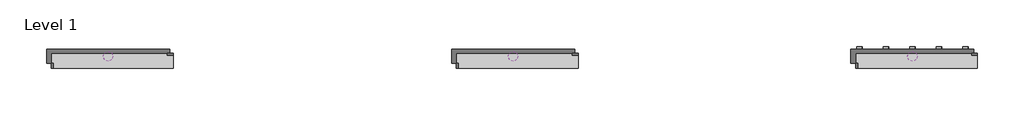
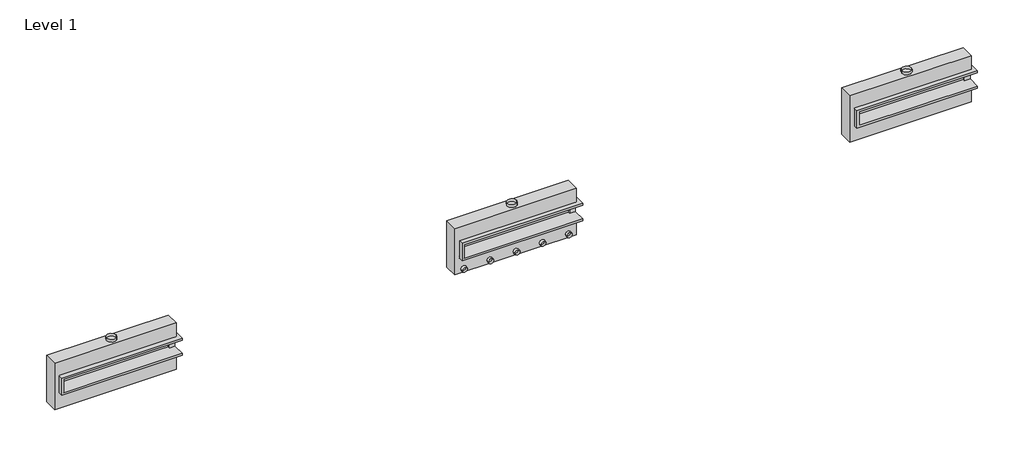
# One storey: 21 proxies.
"""IFC4 building model written with IfcOpenShell, lengths in millimetres."""

import ifcopenshell
import ifcopenshell.guid

model = None  # the IFC model being written
_history = None  # IfcOwnerHistory: only IFC2X3 demands one
_inside = {}  # id of a spatial element -> (the spatial element, [elements in it])
_under = {}  # id of a project, library or spatial element -> (it, [spatial elements below it])
_declared = {}  # id of a project -> (the project, [libraries it declares])
_typed = {}  # id of a type object -> (the type object, [elements of that type])
_made_of = {}  # id of a material, layer set ... -> (it, [elements and type objects made of it])


def new_model(schema):
    """Start an empty IFC model of exactly this schema.

    Asked for "IFC4X3", IfcOpenShell would pick the latest addendum, in which some entities
    have other attributes; the version numbers below select the first issue.
    IFC2X3 requires an IfcOwnerHistory on every rooted entity: one is made here for all.
    """
    global model, _history
    if schema == "IFC4X3":
        model = ifcopenshell.file(schema_version=(4, 3, 0, 0))
    else:
        model = ifcopenshell.file(schema=schema)
    _inside.clear()
    _under.clear()
    _declared.clear()
    _typed.clear()
    _made_of.clear()
    _history = None
    if model.schema == "IFC2X3":
        org = make("IfcOrganization", Name="unknown")
        user = make(
            "IfcPersonAndOrganization",
            ThePerson=make("IfcPerson", FamilyName="unknown"),
            TheOrganization=org,
        )
        app = make(
            "IfcApplication",
            ApplicationDeveloper=org,
            Version="unknown",
            ApplicationFullName="unknown",
            ApplicationIdentifier="unknown",
        )
        _history = make(
            "IfcOwnerHistory",
            OwningUser=user,
            OwningApplication=app,
            ChangeAction="ADDED",
            CreationDate=0,
        )
    return model


def make(cls, **values):
    """One entity of the class cls with the attributes given. An attribute that is None is left unset."""
    return model.create_entity(
        cls, **{name: value for name, value in values.items() if value is not None}
    )


def rooted(cls, **values):
    """An entity with a GlobalId (a new one), such as an element, a storey or a relation."""
    return make(cls, GlobalId=ifcopenshell.guid.new(), OwnerHistory=_history, **values)


def si_unit(unit_type, name, prefix=None):
    """IfcSIUnit, for example si_unit("LENGTHUNIT", "METRE", prefix="MILLI")."""
    return make("IfcSIUnit", UnitType=unit_type, Prefix=prefix, Name=name)


def assignment(units):
    """IfcUnitAssignment: the units of a project."""
    return None if units is None else make("IfcUnitAssignment", Units=units)


def point(xyz):
    """IfcCartesianPoint."""
    return None if xyz is None else make("IfcCartesianPoint", Coordinates=xyz)


def direction(xyz):
    """IfcDirection."""
    return None if xyz is None else make("IfcDirection", DirectionRatios=xyz)


def frame(location, z_axis=None, x_axis=None):
    """IfcAxis2Placement3D, a coordinate frame: its origin and axes. An axis left out is left unset."""
    return make(
        "IfcAxis2Placement3D",
        Location=point(location),
        Axis=direction(z_axis),
        RefDirection=direction(x_axis),
    )


def frame_2d(location, x_axis=None):
    """IfcAxis2Placement2D, a coordinate frame in the plane: its origin and x axis."""
    return make(
        "IfcAxis2Placement2D", Location=point(location), RefDirection=direction(x_axis)
    )


def origin():
    """The frame at (0, 0, 0) with its axes left unset."""
    return frame((0.0, 0.0, 0.0))


def origin_with_axes():
    """The frame at (0, 0, 0) with the z axis (0, 0, 1) and the x axis (1, 0, 0) written out."""
    return frame((0.0, 0.0, 0.0), z_axis=(0.0, 0.0, 1.0), x_axis=(1.0, 0.0, 0.0))


def origin_2d():
    """The frame at (0, 0) in the plane with its x axis left unset."""
    return frame_2d((0.0, 0.0))


def place(relative_to, where):
    """IfcLocalPlacement: puts the frame where relative to a parent placement (None: the world)."""
    return make(
        "IfcLocalPlacement", PlacementRelTo=relative_to, RelativePlacement=where
    )


def context(
    kind, dimensions, precision=None, world=None, true_north=None, identifier=None
):
    """IfcGeometricRepresentationContext, for example the 3D "Model" context."""
    return make(
        "IfcGeometricRepresentationContext",
        ContextIdentifier=identifier,
        ContextType=kind,
        CoordinateSpaceDimension=dimensions,
        Precision=precision,
        WorldCoordinateSystem=world,
        TrueNorth=true_north,
    )


def project(units=None, contexts=None):
    """IfcProject with its units and contexts."""
    return rooted(
        "IfcProject",
        Name="project",
        RepresentationContexts=contexts,
        UnitsInContext=assignment(units),
    )


def spatial(cls, under=None, at=None, **own):
    """A site, building, storey or space (cls), placed at a placement, below another one or the project."""
    s = rooted(cls, ObjectPlacement=at, **own)
    if under is not None:
        _under.setdefault(under.id(), (under, []))[1].append(s)
    return s


def circle_curve(where, radius):
    """IfcCircle in the frame where."""
    return make("IfcCircle", Position=where, Radius=radius)


def trimmed(basis, trim1, trim2, sense, master):
    """IfcTrimmedCurve: the piece of a basis curve between two trims."""
    return make(
        "IfcTrimmedCurve",
        BasisCurve=basis,
        Trim1=trim1,
        Trim2=trim2,
        SenseAgreement=sense,
        MasterRepresentation=master,
    )


def segment(curve, same_sense, transition):
    """IfcCompositeCurveSegment."""
    return make(
        "IfcCompositeCurveSegment",
        Transition=transition,
        SameSense=same_sense,
        ParentCurve=curve,
    )


def composite_curve(segments, self_intersect=None):
    """IfcCompositeCurve: segments joined end to end."""
    return make("IfcCompositeCurve", Segments=segments, SelfIntersect=self_intersect)


def outline(outer, holes=None, kind="AREA"):
    """IfcArbitraryClosedProfileDef: a profile drawn as a closed curve; with holes, ...WithVoids."""
    if holes is None:
        return make("IfcArbitraryClosedProfileDef", ProfileType=kind, OuterCurve=outer)
    return make(
        "IfcArbitraryProfileDefWithVoids",
        ProfileType=kind,
        OuterCurve=outer,
        InnerCurves=holes,
    )


def extrude(swept, where, along, depth):
    """IfcExtrudedAreaSolid: the profile swept, set in the frame where, extruded along a direction by depth."""
    return make(
        "IfcExtrudedAreaSolid",
        SweptArea=swept,
        Position=where,
        ExtrudedDirection=direction(along),
        Depth=depth,
    )


def faces_of(points, faces, orient=None, outer=None):
    """IfcFace entities. A face is a list of loops; a loop is a list of indices into points, from 0.

    orient and outer hold one flag for each loop. By default every Orientation is true, the
    first loop of a face is its IfcFaceOuterBound and the others are IfcFaceBound.
    """
    made = []
    for i, loops in enumerate(faces):
        bounds = []
        for j, loop in enumerate(loops):
            is_outer = j == 0 if outer is None else outer[i][j]
            bounds.append(
                make(
                    "IfcFaceOuterBound" if is_outer else "IfcFaceBound",
                    Bound=make("IfcPolyLoop", Polygon=[points[k] for k in loop]),
                    Orientation=True if orient is None else orient[i][j],
                )
            )
        made.append(make("IfcFace", Bounds=bounds))
    return made


def faceted_brep(points, faces, orient=None, outer=None, voids=None):
    """IfcFacetedBrep: a solid bounded by flat faces; with voids (closed shells), ...WithVoids."""
    shared = [point(p) for p in points]
    hull = make("IfcClosedShell", CfsFaces=faces_of(shared, faces, orient, outer))
    if voids is None:
        return make("IfcFacetedBrep", Outer=hull)
    return make(
        "IfcFacetedBrepWithVoids",
        Outer=hull,
        Voids=[
            make(cls, CfsFaces=faces_of(shared, fs, o, b)) for cls, fs, o, b in voids
        ],
    )


def shape(context_of_items, identifier, shape_type, items):
    """IfcShapeRepresentation: the items that make up one representation, for example the "Body"."""
    return make(
        "IfcShapeRepresentation",
        ContextOfItems=context_of_items,
        RepresentationIdentifier=identifier,
        RepresentationType=shape_type,
        Items=items,
    )


def source(mapping_origin, context_of_items, identifier, shape_type, items):
    """IfcRepresentationMap: a shape defined once, which mapped items show again and again."""
    return make(
        "IfcRepresentationMap",
        MappingOrigin=mapping_origin,
        MappedRepresentation=shape(context_of_items, identifier, shape_type, items),
    )


def transform(
    local_origin,
    x_axis=None,
    y_axis=None,
    z_axis=None,
    scale=None,
    scale2=None,
    scale3=None,
    uniform=True,
):
    """IfcCartesianTransformationOperator3D, or its non-uniform kind. x_axis, y_axis, z_axis: its Axis1, 2, 3."""
    if uniform:
        return make(
            "IfcCartesianTransformationOperator3D",
            Axis1=direction(x_axis),
            Axis2=direction(y_axis),
            LocalOrigin=point(local_origin),
            Scale=scale,
            Axis3=direction(z_axis),
        )
    return make(
        "IfcCartesianTransformationOperator3DnonUniform",
        Axis1=direction(x_axis),
        Axis2=direction(y_axis),
        LocalOrigin=point(local_origin),
        Scale=scale,
        Axis3=direction(z_axis),
        Scale2=scale2,
        Scale3=scale3,
    )


def mapped(mapping_source, mapping_target):
    """IfcMappedItem: shows the shape of a source again, moved by a transform."""
    return make(
        "IfcMappedItem", MappingSource=mapping_source, MappingTarget=mapping_target
    )


def made_of(thing, what):
    """Note that an element or type object is made of a material, layer set ...; save() writes the relation."""
    if what is not None:
        _made_of.setdefault(what.id(), (what, []))[1].append(thing)
    return thing


def element(
    cls,
    number,
    at=None,
    inside=None,
    cuts=None,
    type_object=None,
    material=None,
    context=None,
    identifier="Body",
    shape_type=None,
    held_by="IfcProductDefinitionShape",
    body=None,
    shapes=None,
    **own,
):
    """One element of the class cls, such as IfcWall. Its Tag is "e" and its number.

    at: its placement. inside: the storey or other place that contains it. cuts: it is an
    opening in that element (IfcRelVoidsElement). A single representation is given by context,
    identifier, shape_type and body (its items); several are given by shapes. held_by: the class
    of the entity that holds the representations. save() writes the other relations.
    """
    e = rooted(cls, Tag="e%d" % number, ObjectPlacement=at, **own)
    if body is not None:
        shapes = [shape(context, identifier, shape_type, body)]
    if shapes is not None:
        e.Representation = make(held_by, Representations=shapes)
    if inside is not None:
        _inside.setdefault(inside.id(), (inside, []))[1].append(e)
    if cuts is not None:
        rooted(
            "IfcRelVoidsElement", RelatingBuildingElement=cuts, RelatedOpeningElement=e
        )
    if type_object is not None:
        _typed.setdefault(type_object.id(), (type_object, []))[1].append(e)
    return made_of(e, material)


def aggregate(whole, parts):
    """IfcRelAggregates: a whole, such as a stair, and the parts it consists of."""
    return rooted("IfcRelAggregates", RelatingObject=whole, RelatedObjects=parts)


def save(model, path):
    """Write the relations noted so far, then the file.

    IfcRelAggregates (storeys below a building ...), IfcRelContainedInSpatialStructure (elements
    in a storey), IfcRelDefinesByType, IfcRelAssociatesMaterial and IfcRelDeclares: one each for
    every whole, place, type object, material and project.
    """
    for whole, parts in _under.values():
        aggregate(whole, parts)
    for where, things in _inside.values():
        rooted(
            "IfcRelContainedInSpatialStructure",
            RelatedElements=things,
            RelatingStructure=where,
        )
    for kind, things in _typed.values():
        rooted("IfcRelDefinesByType", RelatedObjects=things, RelatingType=kind)
    for what, things in _made_of.values():
        rooted("IfcRelAssociatesMaterial", RelatedObjects=things, RelatingMaterial=what)
    for by, libraries in _declared.values():
        rooted("IfcRelDeclares", RelatingContext=by, RelatedDefinitions=libraries)
    model.write(path)


def as_specified_56c90b63(model_context):
    return source(origin(), model_context, "Body", "Brep", [
        faceted_brep([(-2025.65, 361.95, 139.7), (-2025.65, 361.95, -393.7), (-2025.65, 285.75, -393.7), (-2025.65, 285.75, -25.4), (-2025.65, -222.25, -25.4), (-2025.65, -222.25, -393.7), (-2025.65, -298.45, -393.7), (-2025.65, -298.45, 139.7), (2317.75, 285.75, 139.7), (2317.75, 285.75, -317.5), (2317.75, -222.25, -317.5), (2317.75, -222.25, 139.7), (2317.75, -298.45, 139.7), (2317.75, -298.45, -393.7), (2317.75, 361.95, -393.7), (2317.75, 361.95, 139.7), (-1949.45, -222.25, 139.7), (-1949.45, 285.75, 139.7), (2114.55, -222.25, -393.7), (2114.55, 285.75, -393.7), (2114.55, -222.25, -317.5), (-1949.45, -222.25, -25.4), (2114.55, 285.75, -317.5), (-1949.45, 285.75, -25.4)], [[[0, 1, 2, 3, 4, 5, 6, 7]], [[8, 9, 10, 11, 12, 13, 14, 15]], [[0, 7, 12, 11, 16, 17, 8, 15]], [[1, 0, 15, 14]], [[14, 13, 6, 5, 18, 19, 2, 1]], [[7, 6, 13, 12]], [[11, 10, 20, 18, 5, 4, 21, 16]], [[10, 9, 22, 20]], [[9, 8, 17, 23, 3, 2, 19, 22]], [[18, 20, 22, 19]], [[23, 21, 4, 3]], [[17, 16, 21, 23]]]),
        faceted_brep([(-2190.75, 882.65, -523.9742188), (2190.75, 882.65, -523.9742188), (2190.75, -882.65, -523.9742188), (-2190.75, -882.65, -523.9742188), (2190.75, 882.65, -25.4), (-2190.75, 882.65, -25.4), (-2190.75, -882.65, -25.4), (2190.75, -882.65, -25.4), (2190.75, -298.45, -25.4), (-2025.65, -298.45, -25.4), (-2025.65, 361.95, -25.4), (2190.75, 361.95, -25.4), (2190.75, 361.95, -393.7), (2190.75, -298.45, -393.7), (-2025.65, -298.45, -393.7), (-2025.65, 361.95, -393.7)], [[[0, 1, 2, 3]], [[4, 5, 6, 7, 8, 9, 10, 11]], [[1, 0, 5, 4]], [[5, 0, 3, 6]], [[1, 4, 11, 12, 13, 8, 7, 2]], [[3, 2, 7, 6]], [[14, 15, 10, 9]], [[10, 15, 12, 11]], [[15, 14, 13, 12]], [[14, 9, 8, 13]]]),
    ])


def proxy_99ad690b(model_context):
    return source(origin(), model_context, "Body", "SweptSolid", [
        extrude(outline(composite_curve([segment(trimmed(circle_curve(origin_2d(), 174.625), [point((-174.625, 0.0))], [point((174.625, 0.0))], False, "CARTESIAN"), True, "CONTINUOUS"), segment(trimmed(circle_curve(origin_2d(), 174.625), [point((174.625, 0.0))], [point((-174.625, 0.0))], False, "CARTESIAN"), True, "CONTINUOUS")], self_intersect=False), holes=[composite_curve([segment(trimmed(circle_curve(origin_2d(), 173.0375), [point((-173.0375, 0.0))], [point((173.0375, 0.0))], True, "CARTESIAN"), True, "CONTINUOUS"), segment(trimmed(circle_curve(origin_2d(), 173.0375), [point((173.0375, 0.0))], [point((-173.0375, 0.0))], True, "CARTESIAN"), True, "CONTINUOUS")], self_intersect=False)]), origin_with_axes(), (0.0, 0.0, 1.0), 101.6),
    ])


def proxy_5643af6b(model_context):
    return source(origin(), model_context, "Body", "SweptSolid", [
        extrude(outline(composite_curve([segment(trimmed(circle_curve(origin_2d(), 100.0125), [point((-100.0125, 0.0))], [point((100.0125, 0.0))], False, "CARTESIAN"), True, "CONTINUOUS"), segment(trimmed(circle_curve(origin_2d(), 100.0125), [point((100.0125, 0.0))], [point((-100.0125, 0.0))], False, "CARTESIAN"), True, "CONTINUOUS")], self_intersect=False), holes=[composite_curve([segment(trimmed(circle_curve(origin_2d(), 98.425), [point((-98.425, 0.0))], [point((98.425, 0.0))], True, "CARTESIAN"), True, "CONTINUOUS"), segment(trimmed(circle_curve(origin_2d(), 98.425), [point((98.425, 0.0))], [point((-98.425, 0.0))], True, "CARTESIAN"), True, "CONTINUOUS")], self_intersect=False)]), origin_with_axes(), (0.0, 0.0, 1.0), 101.6),
    ])


def proxy_c1ba4f62(model_context):
    return source(origin(), model_context, "Body", "SweptSolid", [
        extrude(outline(composite_curve([segment(trimmed(circle_curve(origin_2d(), 103.1875), [point((-103.1875, 0.0))], [point((103.1875, 0.0))], False, "CARTESIAN"), True, "CONTINUOUS"), segment(trimmed(circle_curve(origin_2d(), 103.1875), [point((103.1875, 0.0))], [point((-103.1875, 0.0))], False, "CARTESIAN"), True, "CONTINUOUS")], self_intersect=False), holes=[composite_curve([segment(trimmed(circle_curve(origin_2d(), 101.6), [point((-101.6, 0.0))], [point((101.6, 0.0))], True, "CARTESIAN"), True, "CONTINUOUS"), segment(trimmed(circle_curve(origin_2d(), 101.6), [point((101.6, 0.0))], [point((-101.6, 0.0))], True, "CARTESIAN"), True, "CONTINUOUS")], self_intersect=False)]), origin_with_axes(), (0.0, 0.0, 1.0), 6.35),
    ])


model = new_model("IFC4")

# Units and contexts
model_context = context("Model", 3, world=origin())
ifc_project = project(units=[si_unit("LENGTHUNIT", "METRE", prefix="MILLI")], contexts=[model_context])

# Site, building, storey
site = spatial("IfcSite", under=ifc_project)
building = spatial("IfcBuilding", under=site)
storey = spatial("IfcBuildingStorey", under=building, Name="Level 1", Elevation=0.0)

# Proxies
placement = place(None, origin())
as_specified_shape = as_specified_56c90b63(model_context)
element("IfcBuildingElementProxy", 1, Name="As Specified", ObjectType="As Specified", at=placement, inside=storey, context=model_context, shape_type="MappedRepresentation", body=[
    mapped(as_specified_shape, transform((565.6597121, 1616.7712992, 1144.6311604), x_axis=(1.0, 0.0, 0.0), y_axis=(0.0, 0.0, 1.0), z_axis=(0.0, -1.0, 0.0))),
])
element("IfcBuildingElementProxy", 2, Name="As Specified", ObjectType="As Specified", at=placement, inside=storey, context=model_context, shape_type="MappedRepresentation", body=[
    mapped(as_specified_shape, transform((14791.2574402, 1616.7712992, 1219.2), x_axis=(1.0, 0.0, 0.0), y_axis=(0.0, 0.0, 1.0), z_axis=(0.0, -1.0, 0.0))),
])
element("IfcBuildingElementProxy", 3, Name="As Specified", ObjectType="As Specified", at=placement, inside=storey, context=model_context, shape_type="MappedRepresentation", body=[
    mapped(as_specified_shape, transform((-13859.9425598, 1616.7712992, 1066.8), x_axis=(1.0, 0.0, 0.0), y_axis=(0.0, 0.0, 1.0), z_axis=(0.0, -1.0, 0.0))),
])
proxy_shape = proxy_99ad690b(model_context)
element("IfcBuildingElementProxy", 4, Name="Duct Dia : 13 3/4\" Dia", ObjectType="Duct Dia : 13 3/4\" Dia", at=placement, inside=storey, context=model_context, shape_type="MappedRepresentation", body=[
    mapped(proxy_shape, transform((-13859.9425598, 1891.4584086, 1949.45), x_axis=(1.0, 0.0, 0.0), y_axis=(0.0, 1.0, 0.0), z_axis=(0.0, 0.0, 1.0))),
])
element("IfcBuildingElementProxy", 5, Name="Duct Dia : 13 3/4\" Dia", ObjectType="Duct Dia : 13 3/4\" Dia", at=placement, inside=storey, context=model_context, shape_type="MappedRepresentation", body=[
    mapped(proxy_shape, transform((565.6597121, 1891.4584086, 2027.2811604), x_axis=(1.0, 0.0, 0.0), y_axis=(0.0, 1.0, 0.0), z_axis=(0.0, 0.0, 1.0))),
])
element("IfcBuildingElementProxy", 6, Name="Duct Dia : 13 3/4\" Dia", ObjectType="Duct Dia : 13 3/4\" Dia", at=placement, inside=storey, context=model_context, shape_type="MappedRepresentation", body=[
    mapped(proxy_shape, transform((14791.2574402, 1891.4584086, 2101.85), x_axis=(1.0, 0.0, 0.0), y_axis=(0.0, 1.0, 0.0), z_axis=(0.0, 0.0, 1.0))),
])
proxy_2_shape = proxy_5643af6b(model_context)
element("IfcBuildingElementProxy", 7, Name="Duct Dia : 7 7/8\" Dia", ObjectType="Duct Dia : 7 7/8\" Dia", at=placement, inside=storey, context=model_context, shape_type="MappedRepresentation", body=[
    mapped(proxy_2_shape, transform((2451.6097121, 1642.1712992, 414.3811604), x_axis=(1.0, 0.0, 0.0), y_axis=(0.0, 0.0, 1.0), z_axis=(0.0, -1.0, 0.0))),
])
element("IfcBuildingElementProxy", 8, Name="Duct Dia : 7 7/8\" Dia", ObjectType="Duct Dia : 7 7/8\" Dia", at=placement, inside=storey, context=model_context, shape_type="MappedRepresentation", body=[
    mapped(proxy_2_shape, transform((-1320.2902879, 1642.1712992, 414.3811604), x_axis=(1.0, 0.0, 0.0), y_axis=(0.0, 0.0, 1.0), z_axis=(0.0, -1.0, 0.0))),
])
element("IfcBuildingElementProxy", 9, Name="Duct Dia : 7 7/8\" Dia", ObjectType="Duct Dia : 7 7/8\" Dia", at=placement, inside=storey, context=model_context, shape_type="MappedRepresentation", body=[
    mapped(proxy_2_shape, transform((565.6597121, 1642.1712992, 414.3811604), x_axis=(1.0, 0.0, 0.0), y_axis=(0.0, 0.0, 1.0), z_axis=(0.0, -1.0, 0.0))),
])
element("IfcBuildingElementProxy", 10, Name="Duct Dia : 7 7/8\" Dia", ObjectType="Duct Dia : 7 7/8\" Dia", at=placement, inside=storey, context=model_context, shape_type="MappedRepresentation", body=[
    mapped(proxy_2_shape, transform((1508.6347121, 1642.1712992, 414.3811604), x_axis=(1.0, 0.0, 0.0), y_axis=(0.0, 0.0, 1.0), z_axis=(0.0, -1.0, 0.0))),
])
element("IfcBuildingElementProxy", 11, Name="Duct Dia : 7 7/8\" Dia", ObjectType="Duct Dia : 7 7/8\" Dia", at=placement, inside=storey, context=model_context, shape_type="MappedRepresentation", body=[
    mapped(proxy_2_shape, transform((-377.3152879, 1642.1712992, 414.3811604), x_axis=(1.0, 0.0, 0.0), y_axis=(0.0, 0.0, 1.0), z_axis=(0.0, -1.0, 0.0))),
])
element("IfcBuildingElementProxy", 12, Name="Duct Dia : 7 7/8\" Dia", ObjectType="Duct Dia : 7 7/8\" Dia", at=placement, inside=storey, context=model_context, shape_type="MappedRepresentation", body=[
    mapped(proxy_2_shape, transform((16677.2074402, 2140.745518, 488.95), x_axis=(1.0, 0.0, 0.0), y_axis=(0.0, 0.0, -1.0), z_axis=(0.0, 1.0, 0.0))),
])
element("IfcBuildingElementProxy", 13, Name="Duct Dia : 7 7/8\" Dia", ObjectType="Duct Dia : 7 7/8\" Dia", at=placement, inside=storey, context=model_context, shape_type="MappedRepresentation", body=[
    mapped(proxy_2_shape, transform((12905.3074402, 2140.745518, 488.95), x_axis=(1.0, 0.0, 0.0), y_axis=(0.0, 0.0, -1.0), z_axis=(0.0, 1.0, 0.0))),
])
element("IfcBuildingElementProxy", 14, Name="Duct Dia : 7 7/8\" Dia", ObjectType="Duct Dia : 7 7/8\" Dia", at=placement, inside=storey, context=model_context, shape_type="MappedRepresentation", body=[
    mapped(proxy_2_shape, transform((14791.2574402, 2140.745518, 488.95), x_axis=(1.0, 0.0, 0.0), y_axis=(0.0, 0.0, -1.0), z_axis=(0.0, 1.0, 0.0))),
])
element("IfcBuildingElementProxy", 15, Name="Duct Dia : 7 7/8\" Dia", ObjectType="Duct Dia : 7 7/8\" Dia", at=placement, inside=storey, context=model_context, shape_type="MappedRepresentation", body=[
    mapped(proxy_2_shape, transform((15734.2324402, 2140.745518, 488.95), x_axis=(1.0, 0.0, 0.0), y_axis=(0.0, 0.0, -1.0), z_axis=(0.0, 1.0, 0.0))),
])
element("IfcBuildingElementProxy", 16, Name="Duct Dia : 7 7/8\" Dia", ObjectType="Duct Dia : 7 7/8\" Dia", at=placement, inside=storey, context=model_context, shape_type="MappedRepresentation", body=[
    mapped(proxy_2_shape, transform((13848.2824402, 2140.745518, 488.95), x_axis=(1.0, 0.0, 0.0), y_axis=(0.0, 0.0, -1.0), z_axis=(0.0, 1.0, 0.0))),
])
proxy_3_shape = proxy_c1ba4f62(model_context)
element("IfcBuildingElementProxy", 17, Name="Duct Dia : 8 1/8\" Dia", ObjectType="Duct Dia : 8 1/8\" Dia", at=placement, inside=storey, context=model_context, shape_type="MappedRepresentation", body=[
    mapped(proxy_3_shape, transform((-15745.8925598, 1891.4584086, 184.15), x_axis=(-1.0, 0.0, 0.0), y_axis=(0.0, 1.0, 0.0), z_axis=(0.0, 0.0, -1.0))),
])
element("IfcBuildingElementProxy", 18, Name="Duct Dia : 8 1/8\" Dia", ObjectType="Duct Dia : 8 1/8\" Dia", at=placement, inside=storey, context=model_context, shape_type="MappedRepresentation", body=[
    mapped(proxy_3_shape, transform((-12916.9675598, 1891.4584086, 184.15), x_axis=(-1.0, 0.0, 0.0), y_axis=(0.0, 1.0, 0.0), z_axis=(0.0, 0.0, -1.0))),
])
element("IfcBuildingElementProxy", 19, Name="Duct Dia : 8 1/8\" Dia", ObjectType="Duct Dia : 8 1/8\" Dia", at=placement, inside=storey, context=model_context, shape_type="MappedRepresentation", body=[
    mapped(proxy_3_shape, transform((-13859.9425598, 1891.4584086, 184.15), x_axis=(-1.0, 0.0, 0.0), y_axis=(0.0, 1.0, 0.0), z_axis=(0.0, 0.0, -1.0))),
])
element("IfcBuildingElementProxy", 20, Name="Duct Dia : 8 1/8\" Dia", ObjectType="Duct Dia : 8 1/8\" Dia", at=placement, inside=storey, context=model_context, shape_type="MappedRepresentation", body=[
    mapped(proxy_3_shape, transform((-14802.9175598, 1891.4584086, 184.15), x_axis=(-1.0, 0.0, 0.0), y_axis=(0.0, 1.0, 0.0), z_axis=(0.0, 0.0, -1.0))),
])
element("IfcBuildingElementProxy", 21, Name="Duct Dia : 8 1/8\" Dia", ObjectType="Duct Dia : 8 1/8\" Dia", at=placement, inside=storey, context=model_context, shape_type="MappedRepresentation", body=[
    mapped(proxy_3_shape, transform((-11973.9925598, 1891.4584086, 184.15), x_axis=(1.0, 0.0, 0.0), y_axis=(0.0, -1.0, 0.0), z_axis=(0.0, 0.0, -1.0))),
])

save(model, "model.ifc")
